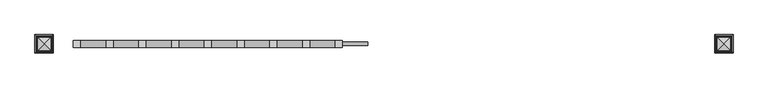
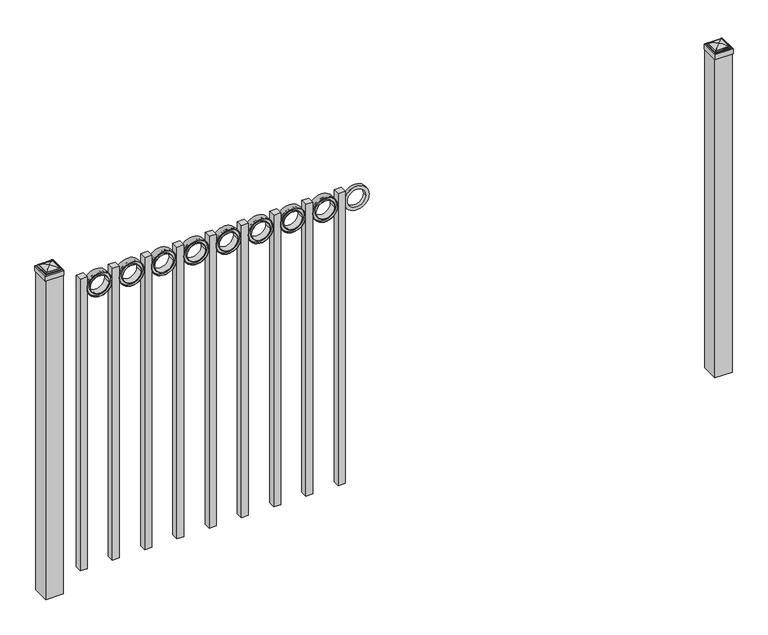
"""IFC4 building model written with IfcOpenShell, lengths in millimetres: railing geometry."""

from ifc_helpers import new_model, si_unit, point, frame, frame_2d, origin, origin_with_axes, place, context, project, spatial, polyline, circle_curve, ellipse_curve, trimmed, segment, composite_curve, outline, extrude, source, transform, mapped, element, save
from ifc_brep_helpers import plane_surface, cylinder_surface, advanced_brep


def railing_1a22d2cd(model_context):
    return source(origin(), model_context, "Body", "SolidModel", [
        extrude(outline(composite_curve([segment(trimmed(circle_curve(frame_2d((1129.0511409, -5077.3911274)), 45.6988591), [point((1129.0511409, -5031.6922684))], [point((1129.0511409, -5123.0899865))], False, "CARTESIAN"), True, "CONTINUOUS"), segment(trimmed(circle_curve(frame_2d((1129.0511409, -5077.3911274)), 45.6988591), [point((1129.0511409, -5123.0899865))], [point((1129.0511409, -5031.6922684))], False, "CARTESIAN"), True, "CONTINUOUS")], self_intersect=False), holes=[composite_curve([segment(trimmed(circle_curve(frame_2d((1129.0511409, -5077.3911274)), 33.0443887), [point((1129.0511409, -5044.3467388))], [point((1129.0511409, -5110.4355161))], True, "CARTESIAN"), True, "CONTINUOUS"), segment(trimmed(circle_curve(frame_2d((1129.0511409, -5077.3911274)), 33.0443887), [point((1129.0511409, -5110.4355161))], [point((1129.0511409, -5044.3467388))], True, "CARTESIAN"), True, "CONTINUOUS")], self_intersect=False)]), frame((0.0, 13410.569541, 0.0), z_axis=(0.0, 1.0, 0.0), x_axis=(0.0, 0.0, 1.0)), (0.0, 0.0, 1.0), 12.7),
        extrude(outline(polyline([(0.0, -1123.95), (0.0, 0.0), (25.4, 0.0), (25.4, -1123.95), (0.0, -1123.95)])), frame((-5123.0899864, 13429.619541, 1174.75), z_axis=(-1.0, 0.0, 3.6920139055213292e-09), x_axis=(0.0, -1.0, 0.0)), (0.0, 0.0, 1.0), 25.4),
        extrude(outline(composite_curve([segment(trimmed(circle_curve(frame_2d((1129.0511409, -5194.8661274)), 45.6988591), [point((1129.0511409, -5149.1672684))], [point((1129.0511409, -5240.5649865))], False, "CARTESIAN"), True, "CONTINUOUS"), segment(trimmed(circle_curve(frame_2d((1129.0511409, -5194.8661274)), 45.6988591), [point((1129.0511409, -5240.5649865))], [point((1129.0511409, -5149.1672684))], False, "CARTESIAN"), True, "CONTINUOUS")], self_intersect=False), holes=[composite_curve([segment(trimmed(circle_curve(frame_2d((1129.0511409, -5194.8661274)), 44.101539), [point((1129.0511409, -5150.7645884))], [point((1129.0511409, -5238.9676665))], True, "CARTESIAN"), True, "CONTINUOUS"), segment(trimmed(circle_curve(frame_2d((1129.0511409, -5194.8661274)), 44.101539), [point((1129.0511409, -5238.9676665))], [point((1129.0511409, -5150.7645884))], True, "CARTESIAN"), True, "CONTINUOUS")], self_intersect=False)]), frame((0.0, 13404.219541, 0.0), z_axis=(0.0, 1.0, 0.0), x_axis=(0.0, 0.0, 1.0)), (0.0, 0.0, 1.0), 25.4),
        extrude(outline(composite_curve([segment(trimmed(circle_curve(frame_2d((1129.0511409, -5194.8661274)), 34.6370762), [point((1129.0511409, -5160.2290512))], [point((1129.0511409, -5229.5032037))], False, "CARTESIAN"), True, "CONTINUOUS"), segment(trimmed(circle_curve(frame_2d((1129.0511409, -5194.8661274)), 34.6370762), [point((1129.0511409, -5229.5032037))], [point((1129.0511409, -5160.2290512))], False, "CARTESIAN"), True, "CONTINUOUS")], self_intersect=False), holes=[composite_curve([segment(trimmed(circle_curve(frame_2d((1129.0511409, -5194.8661274)), 33.0443887), [point((1129.0511409, -5161.8217388))], [point((1129.0511409, -5227.9105161))], True, "CARTESIAN"), True, "CONTINUOUS"), segment(trimmed(circle_curve(frame_2d((1129.0511409, -5194.8661274)), 33.0443887), [point((1129.0511409, -5227.9105161))], [point((1129.0511409, -5161.8217388))], True, "CARTESIAN"), True, "CONTINUOUS")], self_intersect=False)]), frame((0.0, 13404.219541, 0.0), z_axis=(0.0, 1.0, 0.0), x_axis=(0.0, 0.0, 1.0)), (0.0, 0.0, 1.0), 25.4),
        extrude(outline(composite_curve([segment(trimmed(circle_curve(frame_2d((1129.0511409, -5194.8661274)), 45.6988591), [point((1129.0511409, -5149.1672684))], [point((1129.0511409, -5240.5649865))], False, "CARTESIAN"), True, "CONTINUOUS"), segment(trimmed(circle_curve(frame_2d((1129.0511409, -5194.8661274)), 45.6988591), [point((1129.0511409, -5240.5649865))], [point((1129.0511409, -5149.1672684))], False, "CARTESIAN"), True, "CONTINUOUS")], self_intersect=False), holes=[composite_curve([segment(trimmed(circle_curve(frame_2d((1129.0511409, -5194.8661274)), 33.0443887), [point((1129.0511409, -5161.8217388))], [point((1129.0511409, -5227.9105161))], True, "CARTESIAN"), True, "CONTINUOUS"), segment(trimmed(circle_curve(frame_2d((1129.0511409, -5194.8661274)), 33.0443887), [point((1129.0511409, -5227.9105161))], [point((1129.0511409, -5161.8217388))], True, "CARTESIAN"), True, "CONTINUOUS")], self_intersect=False)]), frame((0.0, 13410.569541, 0.0), z_axis=(0.0, 1.0, 0.0), x_axis=(0.0, 0.0, 1.0)), (0.0, 0.0, 1.0), 12.7),
        extrude(outline(polyline([(0.0, -1123.95), (0.0, 0.0), (25.4, 0.0), (25.4, -1123.95), (0.0, -1123.95)])), frame((-5240.5649864, 13429.619541, 1174.75), z_axis=(-1.0, 0.0, 3.6920139055213292e-09), x_axis=(0.0, -1.0, 0.0)), (0.0, 0.0, 1.0), 25.4),
        extrude(outline(composite_curve([segment(trimmed(circle_curve(frame_2d((1129.0511409, -5312.3411274)), 45.6988591), [point((1129.0511409, -5266.6422684))], [point((1129.0511409, -5358.0399865))], False, "CARTESIAN"), True, "CONTINUOUS"), segment(trimmed(circle_curve(frame_2d((1129.0511409, -5312.3411274)), 45.6988591), [point((1129.0511409, -5358.0399865))], [point((1129.0511409, -5266.6422684))], False, "CARTESIAN"), True, "CONTINUOUS")], self_intersect=False), holes=[composite_curve([segment(trimmed(circle_curve(frame_2d((1129.0511409, -5312.3411274)), 44.101539), [point((1129.0511409, -5268.2395884))], [point((1129.0511409, -5356.4426665))], True, "CARTESIAN"), True, "CONTINUOUS"), segment(trimmed(circle_curve(frame_2d((1129.0511409, -5312.3411274)), 44.101539), [point((1129.0511409, -5356.4426665))], [point((1129.0511409, -5268.2395884))], True, "CARTESIAN"), True, "CONTINUOUS")], self_intersect=False)]), frame((0.0, 13404.219541, 0.0), z_axis=(0.0, 1.0, 0.0), x_axis=(0.0, 0.0, 1.0)), (0.0, 0.0, 1.0), 25.4),
        extrude(outline(composite_curve([segment(trimmed(circle_curve(frame_2d((1129.0511409, -5312.3411274)), 34.6370762), [point((1129.0511409, -5277.7040512))], [point((1129.0511409, -5346.9782037))], False, "CARTESIAN"), True, "CONTINUOUS"), segment(trimmed(circle_curve(frame_2d((1129.0511409, -5312.3411274)), 34.6370762), [point((1129.0511409, -5346.9782037))], [point((1129.0511409, -5277.7040512))], False, "CARTESIAN"), True, "CONTINUOUS")], self_intersect=False), holes=[composite_curve([segment(trimmed(circle_curve(frame_2d((1129.0511409, -5312.3411274)), 33.0443887), [point((1129.0511409, -5279.2967388))], [point((1129.0511409, -5345.3855161))], True, "CARTESIAN"), True, "CONTINUOUS"), segment(trimmed(circle_curve(frame_2d((1129.0511409, -5312.3411274)), 33.0443887), [point((1129.0511409, -5345.3855161))], [point((1129.0511409, -5279.2967388))], True, "CARTESIAN"), True, "CONTINUOUS")], self_intersect=False)]), frame((0.0, 13404.219541, 0.0), z_axis=(0.0, 1.0, 0.0), x_axis=(0.0, 0.0, 1.0)), (0.0, 0.0, 1.0), 25.4),
        extrude(outline(composite_curve([segment(trimmed(circle_curve(frame_2d((1129.0511409, -5312.3411274)), 45.6988591), [point((1129.0511409, -5266.6422684))], [point((1129.0511409, -5358.0399865))], False, "CARTESIAN"), True, "CONTINUOUS"), segment(trimmed(circle_curve(frame_2d((1129.0511409, -5312.3411274)), 45.6988591), [point((1129.0511409, -5358.0399865))], [point((1129.0511409, -5266.6422684))], False, "CARTESIAN"), True, "CONTINUOUS")], self_intersect=False), holes=[composite_curve([segment(trimmed(circle_curve(frame_2d((1129.0511409, -5312.3411274)), 33.0443887), [point((1129.0511409, -5279.2967388))], [point((1129.0511409, -5345.3855161))], True, "CARTESIAN"), True, "CONTINUOUS"), segment(trimmed(circle_curve(frame_2d((1129.0511409, -5312.3411274)), 33.0443887), [point((1129.0511409, -5345.3855161))], [point((1129.0511409, -5279.2967388))], True, "CARTESIAN"), True, "CONTINUOUS")], self_intersect=False)]), frame((0.0, 13410.569541, 0.0), z_axis=(0.0, 1.0, 0.0), x_axis=(0.0, 0.0, 1.0)), (0.0, 0.0, 1.0), 12.7),
        extrude(outline(polyline([(0.0, -1123.95), (0.0, 0.0), (25.4, 0.0), (25.4, -1123.95), (0.0, -1123.95)])), frame((-5358.0399864, 13429.619541, 1174.75), z_axis=(-1.0, 0.0, 3.6920139055213292e-09), x_axis=(0.0, -1.0, 0.0)), (0.0, 0.0, 1.0), 25.4),
        extrude(outline(composite_curve([segment(trimmed(circle_curve(frame_2d((1129.0511409, -5429.8161274)), 45.6988591), [point((1129.0511409, -5384.1172684))], [point((1129.0511409, -5475.5149865))], False, "CARTESIAN"), True, "CONTINUOUS"), segment(trimmed(circle_curve(frame_2d((1129.0511409, -5429.8161274)), 45.6988591), [point((1129.0511409, -5475.5149865))], [point((1129.0511409, -5384.1172684))], False, "CARTESIAN"), True, "CONTINUOUS")], self_intersect=False), holes=[composite_curve([segment(trimmed(circle_curve(frame_2d((1129.0511409, -5429.8161274)), 44.101539), [point((1129.0511409, -5385.7145884))], [point((1129.0511409, -5473.9176665))], True, "CARTESIAN"), True, "CONTINUOUS"), segment(trimmed(circle_curve(frame_2d((1129.0511409, -5429.8161274)), 44.101539), [point((1129.0511409, -5473.9176665))], [point((1129.0511409, -5385.7145884))], True, "CARTESIAN"), True, "CONTINUOUS")], self_intersect=False)]), frame((0.0, 13404.219541, 0.0), z_axis=(0.0, 1.0, 0.0), x_axis=(0.0, 0.0, 1.0)), (0.0, 0.0, 1.0), 25.4),
        extrude(outline(composite_curve([segment(trimmed(circle_curve(frame_2d((1129.0511409, -5429.8161274)), 34.6370762), [point((1129.0511409, -5395.1790512))], [point((1129.0511409, -5464.4532037))], False, "CARTESIAN"), True, "CONTINUOUS"), segment(trimmed(circle_curve(frame_2d((1129.0511409, -5429.8161274)), 34.6370762), [point((1129.0511409, -5464.4532037))], [point((1129.0511409, -5395.1790512))], False, "CARTESIAN"), True, "CONTINUOUS")], self_intersect=False), holes=[composite_curve([segment(trimmed(circle_curve(frame_2d((1129.0511409, -5429.8161274)), 33.0443887), [point((1129.0511409, -5396.7717388))], [point((1129.0511409, -5462.8605161))], True, "CARTESIAN"), True, "CONTINUOUS"), segment(trimmed(circle_curve(frame_2d((1129.0511409, -5429.8161274)), 33.0443887), [point((1129.0511409, -5462.8605161))], [point((1129.0511409, -5396.7717388))], True, "CARTESIAN"), True, "CONTINUOUS")], self_intersect=False)]), frame((0.0, 13404.219541, 0.0), z_axis=(0.0, 1.0, 0.0), x_axis=(0.0, 0.0, 1.0)), (0.0, 0.0, 1.0), 25.4),
        extrude(outline(composite_curve([segment(trimmed(circle_curve(frame_2d((1129.0511409, -5429.8161274)), 45.6988591), [point((1129.0511409, -5384.1172684))], [point((1129.0511409, -5475.5149865))], False, "CARTESIAN"), True, "CONTINUOUS"), segment(trimmed(circle_curve(frame_2d((1129.0511409, -5429.8161274)), 45.6988591), [point((1129.0511409, -5475.5149865))], [point((1129.0511409, -5384.1172684))], False, "CARTESIAN"), True, "CONTINUOUS")], self_intersect=False), holes=[composite_curve([segment(trimmed(circle_curve(frame_2d((1129.0511409, -5429.8161274)), 33.0443887), [point((1129.0511409, -5396.7717388))], [point((1129.0511409, -5462.8605161))], True, "CARTESIAN"), True, "CONTINUOUS"), segment(trimmed(circle_curve(frame_2d((1129.0511409, -5429.8161274)), 33.0443887), [point((1129.0511409, -5462.8605161))], [point((1129.0511409, -5396.7717388))], True, "CARTESIAN"), True, "CONTINUOUS")], self_intersect=False)]), frame((0.0, 13410.569541, 0.0), z_axis=(0.0, 1.0, 0.0), x_axis=(0.0, 0.0, 1.0)), (0.0, 0.0, 1.0), 12.7),
        extrude(outline(polyline([(0.0, -1123.95), (0.0, 0.0), (25.4, 0.0), (25.4, -1123.95), (0.0, -1123.95)])), frame((-5475.5149864, 13429.619541, 1174.75), z_axis=(-1.0, 0.0, 3.6920139055213292e-09), x_axis=(0.0, -1.0, 0.0)), (0.0, 0.0, 1.0), 25.4),
        extrude(outline(composite_curve([segment(trimmed(circle_curve(frame_2d((1129.0511409, -5547.2911274)), 45.6988591), [point((1129.0511409, -5501.5922684))], [point((1129.0511409, -5592.9899865))], False, "CARTESIAN"), True, "CONTINUOUS"), segment(trimmed(circle_curve(frame_2d((1129.0511409, -5547.2911274)), 45.6988591), [point((1129.0511409, -5592.9899865))], [point((1129.0511409, -5501.5922684))], False, "CARTESIAN"), True, "CONTINUOUS")], self_intersect=False), holes=[composite_curve([segment(trimmed(circle_curve(frame_2d((1129.0511409, -5547.2911274)), 44.101539), [point((1129.0511409, -5503.1895884))], [point((1129.0511409, -5591.3926665))], True, "CARTESIAN"), True, "CONTINUOUS"), segment(trimmed(circle_curve(frame_2d((1129.0511409, -5547.2911274)), 44.101539), [point((1129.0511409, -5591.3926665))], [point((1129.0511409, -5503.1895884))], True, "CARTESIAN"), True, "CONTINUOUS")], self_intersect=False)]), frame((0.0, 13404.219541, 0.0), z_axis=(0.0, 1.0, 0.0), x_axis=(0.0, 0.0, 1.0)), (0.0, 0.0, 1.0), 25.4),
        extrude(outline(composite_curve([segment(trimmed(circle_curve(frame_2d((1129.0511409, -5547.2911274)), 34.6370762), [point((1129.0511409, -5512.6540512))], [point((1129.0511409, -5581.9282037))], False, "CARTESIAN"), True, "CONTINUOUS"), segment(trimmed(circle_curve(frame_2d((1129.0511409, -5547.2911274)), 34.6370762), [point((1129.0511409, -5581.9282037))], [point((1129.0511409, -5512.6540512))], False, "CARTESIAN"), True, "CONTINUOUS")], self_intersect=False), holes=[composite_curve([segment(trimmed(circle_curve(frame_2d((1129.0511409, -5547.2911274)), 33.0443887), [point((1129.0511409, -5514.2467388))], [point((1129.0511409, -5580.3355161))], True, "CARTESIAN"), True, "CONTINUOUS"), segment(trimmed(circle_curve(frame_2d((1129.0511409, -5547.2911274)), 33.0443887), [point((1129.0511409, -5580.3355161))], [point((1129.0511409, -5514.2467388))], True, "CARTESIAN"), True, "CONTINUOUS")], self_intersect=False)]), frame((0.0, 13404.219541, 0.0), z_axis=(0.0, 1.0, 0.0), x_axis=(0.0, 0.0, 1.0)), (0.0, 0.0, 1.0), 25.4),
        extrude(outline(composite_curve([segment(trimmed(circle_curve(frame_2d((1129.0511409, -5547.2911274)), 45.6988591), [point((1129.0511409, -5501.5922684))], [point((1129.0511409, -5592.9899865))], False, "CARTESIAN"), True, "CONTINUOUS"), segment(trimmed(circle_curve(frame_2d((1129.0511409, -5547.2911274)), 45.6988591), [point((1129.0511409, -5592.9899865))], [point((1129.0511409, -5501.5922684))], False, "CARTESIAN"), True, "CONTINUOUS")], self_intersect=False), holes=[composite_curve([segment(trimmed(circle_curve(frame_2d((1129.0511409, -5547.2911274)), 33.0443887), [point((1129.0511409, -5514.2467388))], [point((1129.0511409, -5580.3355161))], True, "CARTESIAN"), True, "CONTINUOUS"), segment(trimmed(circle_curve(frame_2d((1129.0511409, -5547.2911274)), 33.0443887), [point((1129.0511409, -5580.3355161))], [point((1129.0511409, -5514.2467388))], True, "CARTESIAN"), True, "CONTINUOUS")], self_intersect=False)]), frame((0.0, 13410.569541, 0.0), z_axis=(0.0, 1.0, 0.0), x_axis=(0.0, 0.0, 1.0)), (0.0, 0.0, 1.0), 12.7),
        extrude(outline(polyline([(0.0, -1123.95), (0.0, 0.0), (25.4, 0.0), (25.4, -1123.95), (0.0, -1123.95)])), frame((-5592.9899864, 13429.619541, 1174.75), z_axis=(-1.0, 0.0, 3.6920139055213292e-09), x_axis=(0.0, -1.0, 0.0)), (0.0, 0.0, 1.0), 25.4),
        extrude(outline(composite_curve([segment(trimmed(circle_curve(frame_2d((1129.0511409, -5664.7661274)), 45.6988591), [point((1129.0511409, -5619.0672684))], [point((1129.0511409, -5710.4649865))], False, "CARTESIAN"), True, "CONTINUOUS"), segment(trimmed(circle_curve(frame_2d((1129.0511409, -5664.7661274)), 45.6988591), [point((1129.0511409, -5710.4649865))], [point((1129.0511409, -5619.0672684))], False, "CARTESIAN"), True, "CONTINUOUS")], self_intersect=False), holes=[composite_curve([segment(trimmed(circle_curve(frame_2d((1129.0511409, -5664.7661274)), 44.101539), [point((1129.0511409, -5620.6645884))], [point((1129.0511409, -5708.8676665))], True, "CARTESIAN"), True, "CONTINUOUS"), segment(trimmed(circle_curve(frame_2d((1129.0511409, -5664.7661274)), 44.101539), [point((1129.0511409, -5708.8676665))], [point((1129.0511409, -5620.6645884))], True, "CARTESIAN"), True, "CONTINUOUS")], self_intersect=False)]), frame((0.0, 13404.219541, 0.0), z_axis=(0.0, 1.0, 0.0), x_axis=(0.0, 0.0, 1.0)), (0.0, 0.0, 1.0), 25.4),
        extrude(outline(composite_curve([segment(trimmed(circle_curve(frame_2d((1129.0511409, -5664.7661274)), 34.6370762), [point((1129.0511409, -5630.1290512))], [point((1129.0511409, -5699.4032037))], False, "CARTESIAN"), True, "CONTINUOUS"), segment(trimmed(circle_curve(frame_2d((1129.0511409, -5664.7661274)), 34.6370762), [point((1129.0511409, -5699.4032037))], [point((1129.0511409, -5630.1290512))], False, "CARTESIAN"), True, "CONTINUOUS")], self_intersect=False), holes=[composite_curve([segment(trimmed(circle_curve(frame_2d((1129.0511409, -5664.7661274)), 33.0443887), [point((1129.0511409, -5631.7217388))], [point((1129.0511409, -5697.8105161))], True, "CARTESIAN"), True, "CONTINUOUS"), segment(trimmed(circle_curve(frame_2d((1129.0511409, -5664.7661274)), 33.0443887), [point((1129.0511409, -5697.8105161))], [point((1129.0511409, -5631.7217388))], True, "CARTESIAN"), True, "CONTINUOUS")], self_intersect=False)]), frame((0.0, 13404.219541, 0.0), z_axis=(0.0, 1.0, 0.0), x_axis=(0.0, 0.0, 1.0)), (0.0, 0.0, 1.0), 25.4),
        extrude(outline(composite_curve([segment(trimmed(circle_curve(frame_2d((1129.0511409, -5664.7661274)), 45.6988591), [point((1129.0511409, -5619.0672684))], [point((1129.0511409, -5710.4649865))], False, "CARTESIAN"), True, "CONTINUOUS"), segment(trimmed(circle_curve(frame_2d((1129.0511409, -5664.7661274)), 45.6988591), [point((1129.0511409, -5710.4649865))], [point((1129.0511409, -5619.0672684))], False, "CARTESIAN"), True, "CONTINUOUS")], self_intersect=False), holes=[composite_curve([segment(trimmed(circle_curve(frame_2d((1129.0511409, -5664.7661274)), 33.0443887), [point((1129.0511409, -5631.7217388))], [point((1129.0511409, -5697.8105161))], True, "CARTESIAN"), True, "CONTINUOUS"), segment(trimmed(circle_curve(frame_2d((1129.0511409, -5664.7661274)), 33.0443887), [point((1129.0511409, -5697.8105161))], [point((1129.0511409, -5631.7217388))], True, "CARTESIAN"), True, "CONTINUOUS")], self_intersect=False)]), frame((0.0, 13410.569541, 0.0), z_axis=(0.0, 1.0, 0.0), x_axis=(0.0, 0.0, 1.0)), (0.0, 0.0, 1.0), 12.7),
        extrude(outline(polyline([(0.0, -1123.95), (0.0, 0.0), (25.4, 0.0), (25.4, -1123.95), (0.0, -1123.95)])), frame((-5710.4649864, 13429.619541, 1174.75), z_axis=(-1.0, 0.0, 3.6920139055213292e-09), x_axis=(0.0, -1.0, 0.0)), (0.0, 0.0, 1.0), 25.4),
        extrude(outline(composite_curve([segment(trimmed(circle_curve(frame_2d((1129.0511409, -5782.2411274)), 45.6988591), [point((1129.0511409, -5736.5422684))], [point((1129.0511409, -5827.9399865))], False, "CARTESIAN"), True, "CONTINUOUS"), segment(trimmed(circle_curve(frame_2d((1129.0511409, -5782.2411274)), 45.6988591), [point((1129.0511409, -5827.9399865))], [point((1129.0511409, -5736.5422684))], False, "CARTESIAN"), True, "CONTINUOUS")], self_intersect=False), holes=[composite_curve([segment(trimmed(circle_curve(frame_2d((1129.0511409, -5782.2411274)), 44.101539), [point((1129.0511409, -5738.1395884))], [point((1129.0511409, -5826.3426665))], True, "CARTESIAN"), True, "CONTINUOUS"), segment(trimmed(circle_curve(frame_2d((1129.0511409, -5782.2411274)), 44.101539), [point((1129.0511409, -5826.3426665))], [point((1129.0511409, -5738.1395884))], True, "CARTESIAN"), True, "CONTINUOUS")], self_intersect=False)]), frame((0.0, 13404.219541, 0.0), z_axis=(0.0, 1.0, 0.0), x_axis=(0.0, 0.0, 1.0)), (0.0, 0.0, 1.0), 25.4),
        extrude(outline(composite_curve([segment(trimmed(circle_curve(frame_2d((1129.0511409, -5782.2411274)), 34.6370762), [point((1129.0511409, -5747.6040512))], [point((1129.0511409, -5816.8782037))], False, "CARTESIAN"), True, "CONTINUOUS"), segment(trimmed(circle_curve(frame_2d((1129.0511409, -5782.2411274)), 34.6370762), [point((1129.0511409, -5816.8782037))], [point((1129.0511409, -5747.6040512))], False, "CARTESIAN"), True, "CONTINUOUS")], self_intersect=False), holes=[composite_curve([segment(trimmed(circle_curve(frame_2d((1129.0511409, -5782.2411274)), 33.0443887), [point((1129.0511409, -5749.1967388))], [point((1129.0511409, -5815.2855161))], True, "CARTESIAN"), True, "CONTINUOUS"), segment(trimmed(circle_curve(frame_2d((1129.0511409, -5782.2411274)), 33.0443887), [point((1129.0511409, -5815.2855161))], [point((1129.0511409, -5749.1967388))], True, "CARTESIAN"), True, "CONTINUOUS")], self_intersect=False)]), frame((0.0, 13404.219541, 0.0), z_axis=(0.0, 1.0, 0.0), x_axis=(0.0, 0.0, 1.0)), (0.0, 0.0, 1.0), 25.4),
        extrude(outline(composite_curve([segment(trimmed(circle_curve(frame_2d((1129.0511409, -5782.2411274)), 45.6988591), [point((1129.0511409, -5736.5422684))], [point((1129.0511409, -5827.9399865))], False, "CARTESIAN"), True, "CONTINUOUS"), segment(trimmed(circle_curve(frame_2d((1129.0511409, -5782.2411274)), 45.6988591), [point((1129.0511409, -5827.9399865))], [point((1129.0511409, -5736.5422684))], False, "CARTESIAN"), True, "CONTINUOUS")], self_intersect=False), holes=[composite_curve([segment(trimmed(circle_curve(frame_2d((1129.0511409, -5782.2411274)), 33.0443887), [point((1129.0511409, -5749.1967388))], [point((1129.0511409, -5815.2855161))], True, "CARTESIAN"), True, "CONTINUOUS"), segment(trimmed(circle_curve(frame_2d((1129.0511409, -5782.2411274)), 33.0443887), [point((1129.0511409, -5815.2855161))], [point((1129.0511409, -5749.1967388))], True, "CARTESIAN"), True, "CONTINUOUS")], self_intersect=False)]), frame((0.0, 13410.569541, 0.0), z_axis=(0.0, 1.0, 0.0), x_axis=(0.0, 0.0, 1.0)), (0.0, 0.0, 1.0), 12.7),
        extrude(outline(polyline([(0.0, -1123.95), (0.0, 0.0), (25.4, 0.0), (25.4, -1123.95), (0.0, -1123.95)])), frame((-5827.9399864, 13429.619541, 1174.75), z_axis=(-1.0, 0.0, 3.6920139055213292e-09), x_axis=(0.0, -1.0, 0.0)), (0.0, 0.0, 1.0), 25.4),
        extrude(outline(composite_curve([segment(trimmed(circle_curve(frame_2d((1129.0511409, -5899.7161274)), 45.6988591), [point((1129.0511409, -5854.0172684))], [point((1129.0511409, -5945.4149865))], False, "CARTESIAN"), True, "CONTINUOUS"), segment(trimmed(circle_curve(frame_2d((1129.0511409, -5899.7161274)), 45.6988591), [point((1129.0511409, -5945.4149865))], [point((1129.0511409, -5854.0172684))], False, "CARTESIAN"), True, "CONTINUOUS")], self_intersect=False), holes=[composite_curve([segment(trimmed(circle_curve(frame_2d((1129.0511409, -5899.7161274)), 44.101539), [point((1129.0511409, -5855.6145884))], [point((1129.0511409, -5943.8176665))], True, "CARTESIAN"), True, "CONTINUOUS"), segment(trimmed(circle_curve(frame_2d((1129.0511409, -5899.7161274)), 44.101539), [point((1129.0511409, -5943.8176665))], [point((1129.0511409, -5855.6145884))], True, "CARTESIAN"), True, "CONTINUOUS")], self_intersect=False)]), frame((0.0, 13404.219541, 0.0), z_axis=(0.0, 1.0, 0.0), x_axis=(0.0, 0.0, 1.0)), (0.0, 0.0, 1.0), 25.4),
        extrude(outline(composite_curve([segment(trimmed(circle_curve(frame_2d((1129.0511409, -5899.7161274)), 34.6370762), [point((1129.0511409, -5865.0790512))], [point((1129.0511409, -5934.3532037))], False, "CARTESIAN"), True, "CONTINUOUS"), segment(trimmed(circle_curve(frame_2d((1129.0511409, -5899.7161274)), 34.6370762), [point((1129.0511409, -5934.3532037))], [point((1129.0511409, -5865.0790512))], False, "CARTESIAN"), True, "CONTINUOUS")], self_intersect=False), holes=[composite_curve([segment(trimmed(circle_curve(frame_2d((1129.0511409, -5899.7161274)), 33.0443887), [point((1129.0511409, -5866.6717388))], [point((1129.0511409, -5932.7605161))], True, "CARTESIAN"), True, "CONTINUOUS"), segment(trimmed(circle_curve(frame_2d((1129.0511409, -5899.7161274)), 33.0443887), [point((1129.0511409, -5932.7605161))], [point((1129.0511409, -5866.6717388))], True, "CARTESIAN"), True, "CONTINUOUS")], self_intersect=False)]), frame((0.0, 13404.219541, 0.0), z_axis=(0.0, 1.0, 0.0), x_axis=(0.0, 0.0, 1.0)), (0.0, 0.0, 1.0), 25.4),
        extrude(outline(composite_curve([segment(trimmed(circle_curve(frame_2d((1129.0511409, -5899.7161274)), 45.6988591), [point((1129.0511409, -5854.0172684))], [point((1129.0511409, -5945.4149865))], False, "CARTESIAN"), True, "CONTINUOUS"), segment(trimmed(circle_curve(frame_2d((1129.0511409, -5899.7161274)), 45.6988591), [point((1129.0511409, -5945.4149865))], [point((1129.0511409, -5854.0172684))], False, "CARTESIAN"), True, "CONTINUOUS")], self_intersect=False), holes=[composite_curve([segment(trimmed(circle_curve(frame_2d((1129.0511409, -5899.7161274)), 33.0443887), [point((1129.0511409, -5866.6717388))], [point((1129.0511409, -5932.7605161))], True, "CARTESIAN"), True, "CONTINUOUS"), segment(trimmed(circle_curve(frame_2d((1129.0511409, -5899.7161274)), 33.0443887), [point((1129.0511409, -5932.7605161))], [point((1129.0511409, -5866.6717388))], True, "CARTESIAN"), True, "CONTINUOUS")], self_intersect=False)]), frame((0.0, 13410.569541, 0.0), z_axis=(0.0, 1.0, 0.0), x_axis=(0.0, 0.0, 1.0)), (0.0, 0.0, 1.0), 12.7),
        extrude(outline(polyline([(0.0, -1123.95), (0.0, 0.0), (25.4, 0.0), (25.4, -1123.95), (0.0, -1123.95)])), frame((-5945.4149864, 13429.619541, 1174.75), z_axis=(-1.0, 0.0, 3.6920139055213292e-09), x_axis=(0.0, -1.0, 0.0)), (0.0, 0.0, 1.0), 25.4),
        extrude(outline(composite_curve([segment(trimmed(circle_curve(frame_2d((1129.0511409, -6017.1911274)), 45.6988591), [point((1129.0511409, -5971.4922684))], [point((1129.0511409, -6062.8899865))], False, "CARTESIAN"), True, "CONTINUOUS"), segment(trimmed(circle_curve(frame_2d((1129.0511409, -6017.1911274)), 45.6988591), [point((1129.0511409, -6062.8899865))], [point((1129.0511409, -5971.4922684))], False, "CARTESIAN"), True, "CONTINUOUS")], self_intersect=False), holes=[composite_curve([segment(trimmed(circle_curve(frame_2d((1129.0511409, -6017.1911274)), 44.101539), [point((1129.0511409, -5973.0895884))], [point((1129.0511409, -6061.2926665))], True, "CARTESIAN"), True, "CONTINUOUS"), segment(trimmed(circle_curve(frame_2d((1129.0511409, -6017.1911274)), 44.101539), [point((1129.0511409, -6061.2926665))], [point((1129.0511409, -5973.0895884))], True, "CARTESIAN"), True, "CONTINUOUS")], self_intersect=False)]), frame((0.0, 13404.219541, 0.0), z_axis=(0.0, 1.0, 0.0), x_axis=(0.0, 0.0, 1.0)), (0.0, 0.0, 1.0), 25.4),
        extrude(outline(composite_curve([segment(trimmed(circle_curve(frame_2d((1129.0511409, -6017.1911274)), 34.6370762), [point((1129.0511409, -5982.5540512))], [point((1129.0511409, -6051.8282037))], False, "CARTESIAN"), True, "CONTINUOUS"), segment(trimmed(circle_curve(frame_2d((1129.0511409, -6017.1911274)), 34.6370762), [point((1129.0511409, -6051.8282037))], [point((1129.0511409, -5982.5540512))], False, "CARTESIAN"), True, "CONTINUOUS")], self_intersect=False), holes=[composite_curve([segment(trimmed(circle_curve(frame_2d((1129.0511409, -6017.1911274)), 33.0443887), [point((1129.0511409, -5984.1467388))], [point((1129.0511409, -6050.2355161))], True, "CARTESIAN"), True, "CONTINUOUS"), segment(trimmed(circle_curve(frame_2d((1129.0511409, -6017.1911274)), 33.0443887), [point((1129.0511409, -6050.2355161))], [point((1129.0511409, -5984.1467388))], True, "CARTESIAN"), True, "CONTINUOUS")], self_intersect=False)]), frame((0.0, 13404.219541, 0.0), z_axis=(0.0, 1.0, 0.0), x_axis=(0.0, 0.0, 1.0)), (0.0, 0.0, 1.0), 25.4),
        extrude(outline(composite_curve([segment(trimmed(circle_curve(frame_2d((1129.0511409, -6017.1911274)), 45.6988591), [point((1129.0511409, -5971.4922684))], [point((1129.0511409, -6062.8899865))], False, "CARTESIAN"), True, "CONTINUOUS"), segment(trimmed(circle_curve(frame_2d((1129.0511409, -6017.1911274)), 45.6988591), [point((1129.0511409, -6062.8899865))], [point((1129.0511409, -5971.4922684))], False, "CARTESIAN"), True, "CONTINUOUS")], self_intersect=False), holes=[composite_curve([segment(trimmed(circle_curve(frame_2d((1129.0511409, -6017.1911274)), 33.0443887), [point((1129.0511409, -5984.1467388))], [point((1129.0511409, -6050.2355161))], True, "CARTESIAN"), True, "CONTINUOUS"), segment(trimmed(circle_curve(frame_2d((1129.0511409, -6017.1911274)), 33.0443887), [point((1129.0511409, -6050.2355161))], [point((1129.0511409, -5984.1467388))], True, "CARTESIAN"), True, "CONTINUOUS")], self_intersect=False)]), frame((0.0, 13410.569541, 0.0), z_axis=(0.0, 1.0, 0.0), x_axis=(0.0, 0.0, 1.0)), (0.0, 0.0, 1.0), 12.7),
        extrude(outline(polyline([(0.0, -1123.95), (0.0, 0.0), (25.4, 0.0), (25.4, -1123.95), (0.0, -1123.95)])), frame((-6062.8899864, 13429.619541, 1174.75), z_axis=(-1.0, 0.0, 3.6920139055213292e-09), x_axis=(0.0, -1.0, 0.0)), (0.0, 0.0, 1.0), 25.4),
        extrude(outline(polyline([(-3722.9149936, 13448.669541), (-3722.9149936, 13385.169541), (-3786.4149936, 13385.169541), (-3786.4149936, 13448.669541), (-3722.9149936, 13448.669541)])), origin_with_axes(), (0.0, 0.0, 1.0), 1227.1375),
        advanced_brep(
        [(-3788.0024936, 13450.257041, 1245.39375), (-3788.0024936, 13450.257041, 1227.1375), (-3788.0024936, 13383.582041, 1227.1375), (-3788.0024936, 13383.582041, 1245.39375), (-3785.6212436, 13447.875791, 1247.775), (-3785.6212436, 13385.963291, 1247.775), (-3783.2399936, 13445.494541, 1250.15625), (-3783.2399936, 13445.494541, 1247.775), (-3783.2399936, 13388.344541, 1247.775), (-3783.2399936, 13388.344541, 1250.15625), (-3780.8587436, 13443.113291, 1252.5375), (-3780.8587436, 13390.725791, 1252.5375), (-3754.6649936, 13416.919541, 1258.8875), (-3778.4774936, 13440.732041, 1252.5375), (-3778.4774936, 13393.107041, 1252.5375), (-3721.3274936, 13383.582041, 1227.1375), (-3721.3274936, 13383.582041, 1245.39375), (-3723.7087436, 13385.963291, 1247.775), (-3726.0899936, 13388.344541, 1247.775), (-3726.0899936, 13388.344541, 1250.15625), (-3728.4712436, 13390.725791, 1252.5375), (-3730.8524936, 13393.107041, 1252.5375), (-3721.3274936, 13450.257041, 1227.1375), (-3721.3274936, 13450.257041, 1245.39375), (-3723.7087436, 13447.875791, 1247.775), (-3726.0899936, 13445.494541, 1247.775), (-3726.0899936, 13445.494541, 1250.15625), (-3728.4712436, 13443.113291, 1252.5375), (-3730.8524936, 13440.732041, 1252.5375)],
        [
            (0, 1),
            (1, 2),
            (2, 3),
            (3, 0),
            (4, 0, ellipse_curve(frame((-3785.6212436, 13447.875791, 1245.39375), z_axis=(-0.70710678118655, -0.7071067811865449, 0.0), x_axis=(-0.7071067811865448, 0.7071067811865501, 0.0)), 3.367596, 2.38125)),
            (3, 5, ellipse_curve(frame((-3785.6212436, 13385.963291, 1245.39375), z_axis=(-0.7071067811865449, 0.70710678118655, 0.0), x_axis=(0.7071067811865499, 0.707106781186545, 0.0)), 3.367596, 2.38125)),
            (5, 4),
            (6, 7),
            (7, 8),
            (8, 9),
            (9, 6),
            (10, 6, ellipse_curve(frame((-3780.8587436, 13443.113291, 1250.15625), z_axis=(-0.70710678118655, -0.7071067811865449, 0.0), x_axis=(-0.7071067811865448, 0.7071067811865501, 0.0)), 3.367596, 2.38125)),
            (9, 11, ellipse_curve(frame((-3780.8587436, 13390.725791, 1250.15625), z_axis=(-0.7071067811865449, 0.70710678118655, 0.0), x_axis=(0.7071067811865499, 0.707106781186545, 0.0)), 3.367596, 2.38125)),
            (11, 10),
            (12, 13, ellipse_curve(frame((-3754.6649936, 13416.919541, 1211.0640625), z_axis=(-0.70710678118655, -0.7071067811865449, 0.0), x_axis=(-0.7071067811865448, 0.7071067811865501, 0.0)), 67.6325539, 47.8234375)),
            (13, 14),
            (14, 12, ellipse_curve(frame((-3754.6649936, 13416.919541, 1211.0640625), z_axis=(-0.7071067811865449, 0.70710678118655, 0.0), x_axis=(0.7071067811865499, 0.707106781186545, 0.0)), 67.6325539, 47.8234375)),
            (2, 15),
            (15, 16),
            (16, 3),
            (16, 17, ellipse_curve(frame((-3723.7087436, 13385.963291, 1245.39375), z_axis=(-0.70710678118655, -0.707106781186545, 0.0), x_axis=(-0.707106781186545, 0.70710678118655, 0.0)), 3.367596, 2.38125)),
            (17, 5),
            (8, 18),
            (18, 19),
            (19, 9),
            (19, 20, ellipse_curve(frame((-3728.4712436, 13390.725791, 1250.15625), z_axis=(-0.70710678118655, -0.707106781186545, 0.0), x_axis=(-0.707106781186545, 0.70710678118655, 0.0)), 3.367596, 2.38125)),
            (20, 11),
            (14, 21),
            (21, 12, ellipse_curve(frame((-3754.6649936, 13416.919541, 1211.0640625), z_axis=(-0.70710678118655, -0.707106781186545, 0.0), x_axis=(-0.707106781186545, 0.70710678118655, 0.0)), 67.6325539, 47.8234375)),
            (15, 22),
            (22, 23),
            (23, 16),
            (23, 24, ellipse_curve(frame((-3723.7087436, 13447.875791, 1245.39375), z_axis=(0.707106781186545, -0.7071067811865499, 0.0), x_axis=(-0.7071067811865497, -0.7071067811865452, 0.0)), 3.367596, 2.38125)),
            (24, 17),
            (18, 25),
            (25, 26),
            (26, 19),
            (26, 27, ellipse_curve(frame((-3728.4712436, 13443.113291, 1250.15625), z_axis=(0.707106781186545, -0.7071067811865499, 0.0), x_axis=(-0.7071067811865497, -0.7071067811865452, 0.0)), 3.367596, 2.38125)),
            (27, 20),
            (21, 28),
            (28, 12, ellipse_curve(frame((-3754.6649936, 13416.919541, 1211.0640625), z_axis=(0.707106781186545, -0.7071067811865499, 0.0), x_axis=(-0.7071067811865497, -0.7071067811865452, 0.0)), 67.6325539, 47.8234375)),
            (22, 1),
            (0, 23),
            (4, 24),
            (7, 25),
            (6, 26),
            (10, 27),
            (13, 28),
        ],
        [
            plane_surface(frame((-3788.0024936, 13450.257041, 1227.1375), z_axis=(-1.0, 0.0, 0.0), x_axis=(0.0, -1.0, 0.0))),
            cylinder_surface(frame((-3785.6212436, 13448.669541, 1245.39375), z_axis=(0.0, 1.0, 0.0), x_axis=(1.0, 0.0, 0.0)), 2.38125),
            plane_surface(frame((-3783.2399936, 13445.494541, 1247.775), z_axis=(-1.0, 0.0, 0.0), x_axis=(0.0, -1.0, 0.0))),
            cylinder_surface(frame((-3780.8587436, 13448.669541, 1250.15625), z_axis=(0.0, 1.0, 0.0), x_axis=(1.0, 0.0, 0.0)), 2.38125),
            cylinder_surface(frame((-3754.6649936, 13448.669541, 1211.0640625), z_axis=(0.0, 1.0, 0.0), x_axis=(1.0, 0.0, 0.0)), 47.8234375),
            plane_surface(frame((-3788.0024936, 13383.582041, 1227.1375), z_axis=(0.0, -1.0, 0.0), x_axis=(1.0, 0.0, 0.0))),
            cylinder_surface(frame((-3786.4149936, 13385.963291, 1245.39375), z_axis=(-1.0, 0.0, 0.0), x_axis=(0.0, 1.0, 0.0)), 2.38125),
            plane_surface(frame((-3783.2399936, 13388.344541, 1247.775), z_axis=(0.0, -1.0, 0.0), x_axis=(1.0, 0.0, 0.0))),
            cylinder_surface(frame((-3786.4149936, 13390.725791, 1250.15625), z_axis=(-1.0, 0.0, 0.0), x_axis=(0.0, 1.0, 0.0)), 2.38125),
            cylinder_surface(frame((-3786.4149936, 13416.919541, 1211.0640625), z_axis=(-1.0, 0.0, 0.0), x_axis=(0.0, 1.0, 0.0)), 47.8234375),
            plane_surface(frame((-3721.3274936, 13383.582041, 1227.1375), z_axis=(1.0, 0.0, 0.0), x_axis=(0.0, 1.0, 0.0))),
            cylinder_surface(frame((-3723.7087436, 13385.169541, 1245.39375), z_axis=(0.0, -1.0, 0.0), x_axis=(-1.0, 0.0, 0.0)), 2.38125),
            plane_surface(frame((-3726.0899936, 13388.344541, 1247.775), z_axis=(1.0, 0.0, 0.0), x_axis=(0.0, 1.0, 0.0))),
            cylinder_surface(frame((-3728.4712436, 13385.169541, 1250.15625), z_axis=(0.0, -1.0, 0.0), x_axis=(-1.0, 0.0, 0.0)), 2.38125),
            cylinder_surface(frame((-3754.6649936, 13385.169541, 1211.0640625), z_axis=(0.0, -1.0, 0.0), x_axis=(-1.0, 0.0, 0.0)), 47.8234375),
            plane_surface(frame((-3721.3274936, 13450.257041, 1227.1375), z_axis=(0.0, 1.0, 0.0), x_axis=(-1.0, 0.0, 0.0))),
            cylinder_surface(frame((-3722.9149936, 13447.875791, 1245.39375), z_axis=(1.0, 0.0, 0.0), x_axis=(0.0, -1.0, 0.0)), 2.38125),
            plane_surface(frame((-3723.7087436, 13447.875791, 1247.775), z_axis=(0.0, 0.0, 1.0), x_axis=(-1.0, 0.0, 0.0))),
            plane_surface(frame((-3726.0899936, 13445.494541, 1247.775), z_axis=(0.0, 1.0, 0.0), x_axis=(-1.0, 0.0, 0.0))),
            cylinder_surface(frame((-3722.9149936, 13443.113291, 1250.15625), z_axis=(1.0, 0.0, 0.0), x_axis=(0.0, -1.0, 0.0)), 2.38125),
            plane_surface(frame((-3728.4712436, 13443.113291, 1252.5375), z_axis=(0.0, 0.0, 1.0), x_axis=(-1.0, 0.0, 0.0))),
            cylinder_surface(frame((-3722.9149936, 13416.919541, 1211.0640625), z_axis=(1.0, 0.0, 0.0), x_axis=(0.0, -1.0, 0.0)), 47.8234375),
            plane_surface(frame((-3754.6649936, 13416.919541, 1227.1375), z_axis=(0.0, 0.0, -1.0), x_axis=(-1.0, 0.0, 0.0))),
        ],
        [
            (0, [[1, 2, 3, 4]]),
            (1, [[5, -4, 6, 7]]),
            (2, [[8, 9, 10, 11]]),
            (3, [[12, -11, 13, 14]]),
            (4, [[15, 16, 17]]),
            (5, [[-3, 18, 19, 20]]),
            (6, [[-6, -20, 21, 22]]),
            (7, [[-10, 23, 24, 25]]),
            (8, [[-13, -25, 26, 27]]),
            (9, [[-17, 28, 29]]),
            (10, [[-19, 30, 31, 32]]),
            (11, [[-21, -32, 33, 34]]),
            (12, [[-24, 35, 36, 37]]),
            (13, [[-26, -37, 38, 39]]),
            (14, [[-29, 40, 41]]),
            (15, [[-31, 42, -1, 43]]),
            (16, [[-33, -43, -5, 44]]),
            (17, [[-22, -34, -44, -7], [45, -35, -23, -9]]),
            (18, [[-36, -45, -8, 46]]),
            (19, [[-38, -46, -12, 47]]),
            (20, [[-27, -39, -47, -14], [48, -40, -28, -16]]),
            (21, [[-41, -48, -15]]),
            (22, [[-42, -30, -18, -2]]),
        ],
    ),
        extrude(outline(polyline([(-6161.3149936, 13448.669541), (-6161.3149936, 13385.169541), (-6224.8149936, 13385.169541), (-6224.8149936, 13448.669541), (-6161.3149936, 13448.669541)])), origin_with_axes(), (0.0, 0.0, 1.0), 1227.1375),
        advanced_brep(
        [(-6226.4024936, 13450.257041, 1245.39375), (-6226.4024936, 13450.257041, 1227.1375), (-6226.4024936, 13383.582041, 1227.1375), (-6226.4024936, 13383.582041, 1245.39375), (-6224.0212436, 13447.875791, 1247.775), (-6224.0212436, 13385.963291, 1247.775), (-6221.6399936, 13445.494541, 1250.15625), (-6221.6399936, 13445.494541, 1247.775), (-6221.6399936, 13388.344541, 1247.775), (-6221.6399936, 13388.344541, 1250.15625), (-6219.2587436, 13443.113291, 1252.5375), (-6219.2587436, 13390.725791, 1252.5375), (-6193.0649936, 13416.919541, 1258.8875), (-6216.8774936, 13440.732041, 1252.5375), (-6216.8774936, 13393.107041, 1252.5375), (-6159.7274936, 13383.582041, 1227.1375), (-6159.7274936, 13383.582041, 1245.39375), (-6162.1087436, 13385.963291, 1247.775), (-6164.4899936, 13388.344541, 1247.775), (-6164.4899936, 13388.344541, 1250.15625), (-6166.8712436, 13390.725791, 1252.5375), (-6169.2524936, 13393.107041, 1252.5375), (-6159.7274936, 13450.257041, 1227.1375), (-6159.7274936, 13450.257041, 1245.39375), (-6162.1087436, 13447.875791, 1247.775), (-6164.4899936, 13445.494541, 1247.775), (-6164.4899936, 13445.494541, 1250.15625), (-6166.8712436, 13443.113291, 1252.5375), (-6169.2524936, 13440.732041, 1252.5375)],
        [
            (0, 1),
            (1, 2),
            (2, 3),
            (3, 0),
            (4, 0, ellipse_curve(frame((-6224.0212436, 13447.875791, 1245.39375), z_axis=(-0.70710678118655, -0.7071067811865449, 0.0), x_axis=(-0.7071067811865448, 0.7071067811865501, 0.0)), 3.367596, 2.38125)),
            (3, 5, ellipse_curve(frame((-6224.0212436, 13385.963291, 1245.39375), z_axis=(-0.7071067811865449, 0.70710678118655, 0.0), x_axis=(0.7071067811865499, 0.707106781186545, 0.0)), 3.367596, 2.38125)),
            (5, 4),
            (6, 7),
            (7, 8),
            (8, 9),
            (9, 6),
            (10, 6, ellipse_curve(frame((-6219.2587436, 13443.113291, 1250.15625), z_axis=(-0.70710678118655, -0.7071067811865449, 0.0), x_axis=(-0.7071067811865448, 0.7071067811865501, 0.0)), 3.367596, 2.38125)),
            (9, 11, ellipse_curve(frame((-6219.2587436, 13390.725791, 1250.15625), z_axis=(-0.7071067811865449, 0.70710678118655, 0.0), x_axis=(0.7071067811865499, 0.707106781186545, 0.0)), 3.367596, 2.38125)),
            (11, 10),
            (12, 13, ellipse_curve(frame((-6193.0649936, 13416.919541, 1211.0640625), z_axis=(-0.70710678118655, -0.7071067811865449, 0.0), x_axis=(-0.7071067811865448, 0.7071067811865501, 0.0)), 67.6325539, 47.8234375)),
            (13, 14),
            (14, 12, ellipse_curve(frame((-6193.0649936, 13416.919541, 1211.0640625), z_axis=(-0.7071067811865449, 0.70710678118655, 0.0), x_axis=(0.7071067811865499, 0.707106781186545, 0.0)), 67.6325539, 47.8234375)),
            (2, 15),
            (15, 16),
            (16, 3),
            (16, 17, ellipse_curve(frame((-6162.1087436, 13385.963291, 1245.39375), z_axis=(-0.70710678118655, -0.707106781186545, 0.0), x_axis=(-0.707106781186545, 0.70710678118655, 0.0)), 3.367596, 2.38125)),
            (17, 5),
            (8, 18),
            (18, 19),
            (19, 9),
            (19, 20, ellipse_curve(frame((-6166.8712436, 13390.725791, 1250.15625), z_axis=(-0.70710678118655, -0.707106781186545, 0.0), x_axis=(-0.707106781186545, 0.70710678118655, 0.0)), 3.367596, 2.38125)),
            (20, 11),
            (14, 21),
            (21, 12, ellipse_curve(frame((-6193.0649936, 13416.919541, 1211.0640625), z_axis=(-0.70710678118655, -0.707106781186545, 0.0), x_axis=(-0.707106781186545, 0.70710678118655, 0.0)), 67.6325539, 47.8234375)),
            (15, 22),
            (22, 23),
            (23, 16),
            (23, 24, ellipse_curve(frame((-6162.1087436, 13447.875791, 1245.39375), z_axis=(0.707106781186545, -0.7071067811865499, 0.0), x_axis=(-0.7071067811865497, -0.7071067811865452, 0.0)), 3.367596, 2.38125)),
            (24, 17),
            (18, 25),
            (25, 26),
            (26, 19),
            (26, 27, ellipse_curve(frame((-6166.8712436, 13443.113291, 1250.15625), z_axis=(0.707106781186545, -0.7071067811865499, 0.0), x_axis=(-0.7071067811865497, -0.7071067811865452, 0.0)), 3.367596, 2.38125)),
            (27, 20),
            (21, 28),
            (28, 12, ellipse_curve(frame((-6193.0649936, 13416.919541, 1211.0640625), z_axis=(0.707106781186545, -0.7071067811865499, 0.0), x_axis=(-0.7071067811865497, -0.7071067811865452, 0.0)), 67.6325539, 47.8234375)),
            (22, 1),
            (0, 23),
            (4, 24),
            (7, 25),
            (6, 26),
            (10, 27),
            (13, 28),
        ],
        [
            plane_surface(frame((-6226.4024936, 13450.257041, 1227.1375), z_axis=(-1.0, 0.0, 0.0), x_axis=(0.0, -1.0, 0.0))),
            cylinder_surface(frame((-6224.0212436, 13448.669541, 1245.39375), z_axis=(0.0, 1.0, 0.0), x_axis=(1.0, 0.0, 0.0)), 2.38125),
            plane_surface(frame((-6221.6399936, 13445.494541, 1247.775), z_axis=(-1.0, 0.0, 0.0), x_axis=(0.0, -1.0, 0.0))),
            cylinder_surface(frame((-6219.2587436, 13448.669541, 1250.15625), z_axis=(0.0, 1.0, 0.0), x_axis=(1.0, 0.0, 0.0)), 2.38125),
            cylinder_surface(frame((-6193.0649936, 13448.669541, 1211.0640625), z_axis=(0.0, 1.0, 0.0), x_axis=(1.0, 0.0, 0.0)), 47.8234375),
            plane_surface(frame((-6226.4024936, 13383.582041, 1227.1375), z_axis=(0.0, -1.0, 0.0), x_axis=(1.0, 0.0, 0.0))),
            cylinder_surface(frame((-6224.8149936, 13385.963291, 1245.39375), z_axis=(-1.0, 0.0, 0.0), x_axis=(0.0, 1.0, 0.0)), 2.38125),
            plane_surface(frame((-6221.6399936, 13388.344541, 1247.775), z_axis=(0.0, -1.0, 0.0), x_axis=(1.0, 0.0, 0.0))),
            cylinder_surface(frame((-6224.8149936, 13390.725791, 1250.15625), z_axis=(-1.0, 0.0, 0.0), x_axis=(0.0, 1.0, 0.0)), 2.38125),
            cylinder_surface(frame((-6224.8149936, 13416.919541, 1211.0640625), z_axis=(-1.0, 0.0, 0.0), x_axis=(0.0, 1.0, 0.0)), 47.8234375),
            plane_surface(frame((-6159.7274936, 13383.582041, 1227.1375), z_axis=(1.0, 0.0, 0.0), x_axis=(0.0, 1.0, 0.0))),
            cylinder_surface(frame((-6162.1087436, 13385.169541, 1245.39375), z_axis=(0.0, -1.0, 0.0), x_axis=(-1.0, 0.0, 0.0)), 2.38125),
            plane_surface(frame((-6164.4899936, 13388.344541, 1247.775), z_axis=(1.0, 0.0, 0.0), x_axis=(0.0, 1.0, 0.0))),
            cylinder_surface(frame((-6166.8712436, 13385.169541, 1250.15625), z_axis=(0.0, -1.0, 0.0), x_axis=(-1.0, 0.0, 0.0)), 2.38125),
            cylinder_surface(frame((-6193.0649936, 13385.169541, 1211.0640625), z_axis=(0.0, -1.0, 0.0), x_axis=(-1.0, 0.0, 0.0)), 47.8234375),
            plane_surface(frame((-6159.7274936, 13450.257041, 1227.1375), z_axis=(0.0, 1.0, 0.0), x_axis=(-1.0, 0.0, 0.0))),
            cylinder_surface(frame((-6161.3149936, 13447.875791, 1245.39375), z_axis=(1.0, 0.0, 0.0), x_axis=(0.0, -1.0, 0.0)), 2.38125),
            plane_surface(frame((-6162.1087436, 13447.875791, 1247.775), z_axis=(0.0, 0.0, 1.0), x_axis=(-1.0, 0.0, 0.0))),
            plane_surface(frame((-6164.4899936, 13445.494541, 1247.775), z_axis=(0.0, 1.0, 0.0), x_axis=(-1.0, 0.0, 0.0))),
            cylinder_surface(frame((-6161.3149936, 13443.113291, 1250.15625), z_axis=(1.0, 0.0, 0.0), x_axis=(0.0, -1.0, 0.0)), 2.38125),
            plane_surface(frame((-6166.8712436, 13443.113291, 1252.5375), z_axis=(0.0, 0.0, 1.0), x_axis=(-1.0, 0.0, 0.0))),
            cylinder_surface(frame((-6161.3149936, 13416.919541, 1211.0640625), z_axis=(1.0, 0.0, 0.0), x_axis=(0.0, -1.0, 0.0)), 47.8234375),
            plane_surface(frame((-6193.0649936, 13416.919541, 1227.1375), z_axis=(0.0, 0.0, -1.0), x_axis=(-1.0, 0.0, 0.0))),
        ],
        [
            (0, [[1, 2, 3, 4]]),
            (1, [[5, -4, 6, 7]]),
            (2, [[8, 9, 10, 11]]),
            (3, [[12, -11, 13, 14]]),
            (4, [[15, 16, 17]]),
            (5, [[-3, 18, 19, 20]]),
            (6, [[-6, -20, 21, 22]]),
            (7, [[-10, 23, 24, 25]]),
            (8, [[-13, -25, 26, 27]]),
            (9, [[-17, 28, 29]]),
            (10, [[-19, 30, 31, 32]]),
            (11, [[-21, -32, 33, 34]]),
            (12, [[-24, 35, 36, 37]]),
            (13, [[-26, -37, 38, 39]]),
            (14, [[-29, 40, 41]]),
            (15, [[-31, 42, -1, 43]]),
            (16, [[-33, -43, -5, 44]]),
            (17, [[-22, -34, -44, -7], [45, -35, -23, -9]]),
            (18, [[-36, -45, -8, 46]]),
            (19, [[-38, -46, -12, 47]]),
            (20, [[-27, -39, -47, -14], [48, -40, -28, -16]]),
            (21, [[-41, -48, -15]]),
            (22, [[-42, -30, -18, -2]]),
        ],
    ),
    ])


if __name__ == "__main__":
    model = new_model("IFC4")
    model_context = context("Model", 3, world=origin())
    ifc_project = project(units=[si_unit("LENGTHUNIT", "METRE", prefix="MILLI")], contexts=[model_context])
    site = spatial("IfcSite", under=ifc_project)
    building = spatial("IfcBuilding", under=site)
    placement = place(None, origin())
    railing_shape = railing_1a22d2cd(model_context)
    element("IfcRailing", 1, at=placement, inside=building, context=model_context, shape_type="MappedRepresentation", body=[
        mapped(railing_shape, transform((0.0, 0.0, 0.0), x_axis=(1.0, 0.0, 0.0), y_axis=(0.0, 1.0, 0.0), z_axis=(0.0, 0.0, 1.0))),
    ])
    save(model, "model.ifc")
